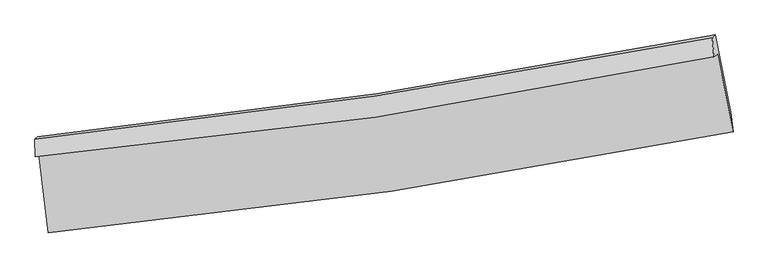
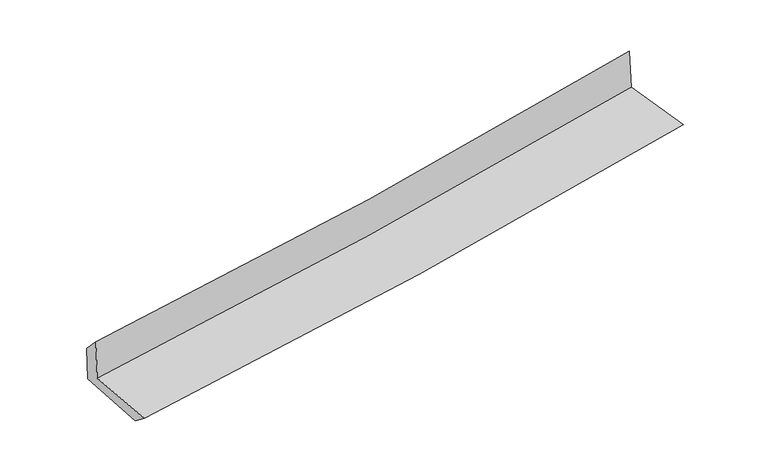
"""IFC4 building model written with IfcOpenShell, lengths in millimetres: proxy geometry."""

from ifc_helpers import new_model, si_unit, frame, origin, place, context, project, spatial, source, transform, mapped, element, save
from ifc_brep_helpers import plane_surface, spline_curve, spline_surface, advanced_brep


def generic_models_f85654e6(model_context):
    return source(origin(), model_context, "Body", "AdvancedBrep", [
        advanced_brep(
        [(-2862.5242774, -1893.1387511, 1656.5023254), (-2786.1518294, -2552.9735059, 1615.5852268), (2938.3323089, -1710.6329808, 2124.5505018), (2808.2511837, -1061.7204267, 2160.7638763), (-2891.969061, -1920.7418319, 2057.1766952), (2778.3814578, -1085.0640702, 2556.743949), (-2895.7347082, -1773.4229205, 1902.5237751), (2763.009213, -923.9378583, 2371.0897943), (-2870.9803733, -1750.2169118, 1565.6753982), (2787.3773608, -901.0938816, 2039.496518), (-2793.2746175, -2409.974079, 1508.2152218), (2918.4064903, -1547.6141418, 1987.0010257)],
        [
            (0, 1),
            (1, 2, spline_curve(3, [(-2786.1518294, -2552.9735059, 1615.5852268), (-1827.315007103, -2461.877145999, 1708.850594393), (-871.691244032, -2346.300839716, 1797.829874014), (1036.492864548, -2065.693833742, 1967.51528505), (1989.030480508, -1900.489965034, 2048.191097219), (2938.3323089, -1710.6329808, 2124.5505018)], [4, 2, 4], [0.0, 9.470164686221619, 18.973765908023264])),
            (2, 3),
            (3, 0, spline_curve(3, [(2808.2511837, -1061.7204267, 2160.7638763), (1867.420903769, -1246.854602959, 2085.357249558), (923.60310923, -1408.787834667, 2005.550346606), (-966.676362776, -1685.764307302, 1837.432254648), (-1913.117055286, -1800.970517238, 1749.151973821), (-2862.5242774, -1893.1387511, 1656.5023254)], [4, 2, 4], [0.0, 9.503601221801645, 18.973765908023264])),
            (4, 0),
            (3, 5),
            (5, 4, spline_curve(3, [(2778.3814578, -1085.0640702, 2556.743949), (1839.113345768, -1282.690338814, 2486.467708566), (896.110795264, -1451.214814963, 2409.614049734), (-994.032275982, -1729.569651583, 2243.045430761), (-1941.146565211, -1839.604429101, 2153.37667151), (-2891.969061, -1920.7418319, 2057.1766952)], [4, 2, 4], [0.0, 9.4590254097363, 18.8847711150444])),
            (6, 4),
            (5, 7),
            (7, 6, spline_curve(3, [(2763.009213, -923.9378583, 2371.0897943), (1824.66781561, -1108.957618151, 2293.183306507), (883.098434801, -1272.344614884, 2215.113796736), (-1003.1722133, -1555.354348964, 2058.923978309), (-1947.850805701, -1675.129039534, 1980.804815275), (-2895.7347082, -1773.4229205, 1902.5237751)], [4, 2, 4], [0.0, 9.448585875279267, 18.863928775561334])),
            (8, 6),
            (7, 9),
            (9, 8, spline_curve(3, [(2787.3773608, -901.0938816, 2039.496518), (1848.97125806, -1086.174299607, 1962.470521671), (907.401876965, -1249.561296593, 1884.401011783), (-978.739587518, -1532.44992727, 1726.453308495), (-1923.289450983, -1652.103940547, 1646.582445085), (-2870.9803733, -1750.2169118, 1565.6753982)], [4, 2, 4], [0.0, 9.437646787281343, 18.842089086576514])),
            (10, 8),
            (9, 11),
            (11, 10, spline_curve(3, [(2918.4064903, -1547.6141418, 1987.0010257), (1970.960362182, -1733.606581774, 1909.270339992), (1020.419643771, -1898.555752603, 1830.433923536), (-883.495795921, -2185.861252629, 1670.830888453), (-1836.848780119, -2308.365393719, 1590.072037101), (-2793.2746175, -2409.974079, 1508.2152218)], [4, 2, 4], [0.0, 9.482684076881888, 18.93200521100862])),
            (1, 10),
            (11, 2),
        ],
        [
            spline_surface(3, 3, [[(-2862.5242774, -1893.1387511, 1656.5023254), (-1913.117055268, -1800.970517103, 1749.151973865), (-966.676362777, -1685.7643074, 1837.432254547), (923.603109231, -1408.787834568, 2005.550346708), (1867.420903773, -1246.854602832, 2085.357249664), (2808.2511837, -1061.7204267, 2160.7638763)], [(-2837.066794765, -2113.083669351, 1642.863292536), (-1884.516372626, -2021.272726762, 1735.718180736), (-935.014656475, -1905.943151493, 1824.231461026), (961.23302765, -1627.756500942, 1992.871992824), (1907.957429338, -1464.733056928, 2072.968532179), (2851.611558758, -1278.024611416, 2148.69275146)], [(-2811.609312035, -2333.028587649, 1629.224259664), (-1855.91568989, -2241.574936469, 1722.284387598), (-903.352950223, -2126.121995631, 1811.030667517), (998.862946018, -1846.72516736, 1980.193638952), (1948.49395493, -1682.611510975, 2060.579814715), (2894.971933842, -1494.328796084, 2136.62162664)], [(-2786.1518294, -2552.9735059, 1615.5852268), (-1827.315007249, -2461.877146128, 1708.850594469), (-871.691243921, -2346.300839724, 1797.829873996), (1036.492864436, -2065.693833734, 1967.515285068), (1989.030480495, -1900.48996507, 2048.19109723), (2938.3323089, -1710.6329808, 2124.5505018)]], [4, 4], [4, 2, 4], [0.0, 2.1915948816198525], [0.0, 9.470164686221619, 18.973765908023264]),
            spline_surface(3, 3, [[(-2891.969061, -1920.7418319, 2057.1766952), (-1941.146565116, -1839.604429182, 2153.376671538), (-994.032275918, -1729.569651452, 2243.045430656), (896.110795199, -1451.214815094, 2409.614049839), (1839.113345635, -1282.690338905, 2486.467708688), (2778.3814578, -1085.0640702, 2556.743949)], [(-2882.154133134, -1911.540804989, 1923.618571914), (-1931.803395167, -1826.726458511, 2018.635105628), (-984.913638218, -1714.96787011, 2107.841038635), (905.274899863, -1437.07248826, 2274.926148811), (1848.549198364, -1270.745093546, 2352.764222342), (2788.338033117, -1077.282855698, 2424.750591429)], [(-2872.339205266, -1902.339778011, 1790.060448686), (-1922.460225217, -1813.848487774, 1883.893539775), (-975.795000477, -1700.366088743, 1972.636646568), (914.439004568, -1422.930161402, 2140.238247736), (1857.985051044, -1258.799848192, 2219.06073601), (2798.294608383, -1069.501641202, 2292.757233871)], [(-2862.5242774, -1893.1387511, 1656.5023254), (-1913.117055268, -1800.970517103, 1749.151973865), (-966.676362777, -1685.7643074, 1837.432254547), (923.603109231, -1408.787834568, 2005.550346708), (1867.420903773, -1246.854602832, 2085.357249664), (2808.2511837, -1061.7204267, 2160.7638763)]], [4, 4], [4, 2, 4], [0.0, 1.3387387482569815], [0.0, 9.4257457053081, 18.8847711150444]),
            spline_surface(3, 3, [[(-2895.7347082, -1773.4229205, 1902.5237751), (-1947.850805774, -1675.12903943, 1980.804815247), (-1003.172213168, -1555.354348931, 2058.92397843), (883.098434668, -1272.344614917, 2215.113796614), (1824.66781576, -1108.957618022, 2293.183306469), (2763.009213, -923.9378583, 2371.0897943)], [(-2894.479492443, -1822.529224278, 1954.074748491), (-1945.616058864, -1729.954169326, 2038.328767369), (-1000.125567424, -1613.426116432, 2120.297795829), (887.435888172, -1331.96801497, 2279.947214346), (1829.482992373, -1166.868524974, 2357.611440536), (2768.133294589, -977.646595591, 2432.974512527)], [(-2893.224276757, -1871.635528122, 2005.625721809), (-1943.381312025, -1784.779299286, 2095.852719417), (-997.078921662, -1671.497883951, 2181.671613257), (891.773341695, -1391.591415041, 2344.780632107), (1834.298169021, -1224.779431953, 2422.039574621), (2773.257376211, -1031.355332909, 2494.859230773)], [(-2891.969061, -1920.7418319, 2057.1766952), (-1941.146565116, -1839.604429182, 2153.376671538), (-994.032275918, -1729.569651452, 2243.045430656), (896.110795199, -1451.214815094, 2409.614049839), (1839.113345635, -1282.690338905, 2486.467708688), (2778.3814578, -1085.0640702, 2556.743949)]], [4, 4], [4, 2, 4], [0.0, 0.8501019506403288], [0.0, 9.415342900282067, 18.863928775561334]),
            spline_surface(3, 3, [[(-2870.9803733, -1750.2169118, 1565.6753982), (-1923.289451028, -1652.103940424, 1646.582445144), (-978.739587414, -1532.449927224, 1726.453308574), (907.40187686, -1249.561296639, 1884.401011704), (1848.971257953, -1086.174299744, 1962.47052156), (2787.3773608, -901.0938816, 2039.496518)], [(-2879.231818287, -1757.952248057, 1677.958190485), (-1931.476569297, -1659.77897345, 1757.98990183), (-986.883795998, -1540.084734466, 1837.276865201), (899.300729463, -1257.155736072, 1994.638606683), (1840.870110555, -1093.768739177, 2072.708116538), (2779.254644867, -908.708540507, 2150.027610109)], [(-2887.483263213, -1765.687584243, 1790.240982815), (-1939.663687504, -1667.454006405, 1869.397358561), (-995.028004583, -1547.719541689, 1948.100421802), (891.199582065, -1264.750175485, 2104.876201635), (1832.768963157, -1101.36317859, 2182.945711491), (2771.131928933, -916.323199393, 2260.558702191)], [(-2895.7347082, -1773.4229205, 1902.5237751), (-1947.850805774, -1675.12903943, 1980.804815247), (-1003.172213168, -1555.354348931, 2058.92397843), (883.098434668, -1272.344614917, 2215.113796614), (1824.66781576, -1108.957618022, 2293.183306469), (2763.009213, -923.9378583, 2371.0897943)]], [4, 4], [4, 2, 4], [0.0, 1.093394458822448], [0.0, 9.404442299295171, 18.842089086576514]),
            spline_surface(3, 3, [[(-2793.2746175, -2409.974079, 1508.2152218), (-1836.848780269, -2308.365393871, 1590.072037251), (-883.495795909, -2185.861252497, 1670.83088856), (1020.419643759, -1898.555752734, 1830.433923428), (1970.960362054, -1733.606581737, 1909.270340091), (2918.4064903, -1547.6141418, 1987.0010257)], [(-2819.176536098, -2190.055023241, 1527.368613942), (-1865.662337187, -2089.61157603, 1608.908839891), (-915.243726419, -1968.05747741, 1689.37169523), (982.747054784, -1682.224267373, 1848.422952852), (1930.29732738, -1517.795821076, 1927.003733916), (2874.730113826, -1332.107388403, 2004.499523136)], [(-2845.078454702, -1970.135967559, 1546.522006058), (-1894.47589411, -1870.857758266, 1627.745642504), (-946.991656904, -1750.253702311, 1707.912501904), (945.074465835, -1465.892782, 1866.41198228), (1889.634292627, -1301.985060405, 1944.737127734), (2831.053737274, -1116.600634997, 2021.998020564)], [(-2870.9803733, -1750.2169118, 1565.6753982), (-1923.289451028, -1652.103940424, 1646.582445144), (-978.739587414, -1532.449927224, 1726.453308574), (907.40187686, -1249.561296639, 1884.401011704), (1848.971257953, -1086.174299744, 1962.47052156), (2787.3773608, -901.0938816, 2039.496518)]], [4, 4], [4, 2, 4], [0.0, 2.1710806835002225], [0.0, 9.44932113412673, 18.93200521100862]),
            spline_surface(3, 3, [[(-2786.1518294, -2552.9735059, 1615.5852268), (-1827.315007249, -2461.877146128, 1708.850594469), (-871.691243921, -2346.300839724, 1797.829873996), (1036.492864436, -2065.693833734, 1967.515285068), (1989.030480495, -1900.48996507, 2048.19109723), (2938.3323089, -1710.6329808, 2124.5505018)], [(-2788.526092073, -2505.307030284, 1579.795225131), (-1830.492931561, -2410.70656206, 1669.257742061), (-875.626094572, -2292.820977317, 1755.496878841), (1031.135124222, -2009.98114007, 1921.821497845), (1983.007107658, -1844.862170611, 2001.88417819), (2931.690369343, -1656.293367785, 2078.700676439)], [(-2790.900354827, -2457.640554616, 1544.005223469), (-1833.670855956, -2359.535977939, 1629.664889659), (-879.560945257, -2239.341114904, 1713.163883715), (1025.777383973, -1954.268446399, 1876.127710651), (1976.983734891, -1789.234376196, 1955.577259131), (2925.048429857, -1601.953754815, 2032.850851061)], [(-2793.2746175, -2409.974079, 1508.2152218), (-1836.848780269, -2308.365393871, 1590.072037251), (-883.495795909, -2185.861252497, 1670.83088856), (1020.419643759, -1898.555752734, 1830.433923428), (1970.960362054, -1733.606581737, 1909.270340091), (2918.4064903, -1547.6141418, 1987.0010257)]], [4, 4], [4, 2, 4], [0.0, 0.691817293594165], [0.0, 9.504683162024973, 19.042924734833058]),
            plane_surface(frame((2832.2930024, -1205.0105599, 2206.6076108), z_axis=(0.9778461480936609, 0.19127360690371142, 0.08503715635200146), x_axis=(-0.07311805217901343, -0.06854468774390746, 0.9949650125645813))),
            plane_surface(frame((-2850.1058111, -2050.078, 1717.6131071), z_axis=(-0.9907122833288147, -0.10968646605141522, -0.08036199864711095), x_axis=(-0.1147596806390167, 0.991488786938488, 0.06148333981556721))),
        ],
        [
            (0, [[1, 2, 3, 4]]),
            (1, [[5, -4, 6, 7]]),
            (2, [[8, -7, 9, 10]]),
            (3, [[11, -10, 12, 13]]),
            (4, [[14, -13, 15, 16]]),
            (5, [[17, -16, 18, -2]]),
            (6, [[-12, -9, -6, -3, -18, -15]]),
            (7, [[-1, -5, -8, -11, -14, -17]]),
        ],
    ),
    ])


if __name__ == "__main__":
    model = new_model("IFC4")
    model_context = context("Model", 3, world=origin())
    ifc_project = project(units=[si_unit("LENGTHUNIT", "METRE", prefix="MILLI")], contexts=[model_context])
    site = spatial("IfcSite", under=ifc_project)
    building = spatial("IfcBuilding", under=site)
    placement = place(None, origin())
    generic_models_shape = generic_models_f85654e6(model_context)
    element("IfcBuildingElementProxy", 1, Name="Generic Models", at=placement, inside=building, context=model_context, shape_type="MappedRepresentation", body=[
        mapped(generic_models_shape, transform((0.0, 0.0, 0.0), x_axis=(1.0, 0.0, 0.0), y_axis=(0.0, 1.0, 0.0), z_axis=(0.0, 0.0, 1.0))),
    ])
    save(model, "model.ifc")
